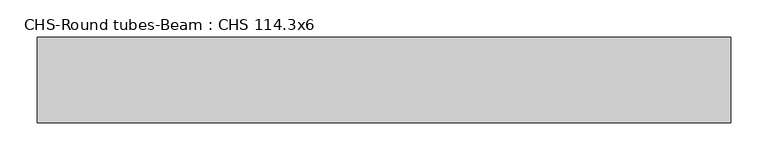
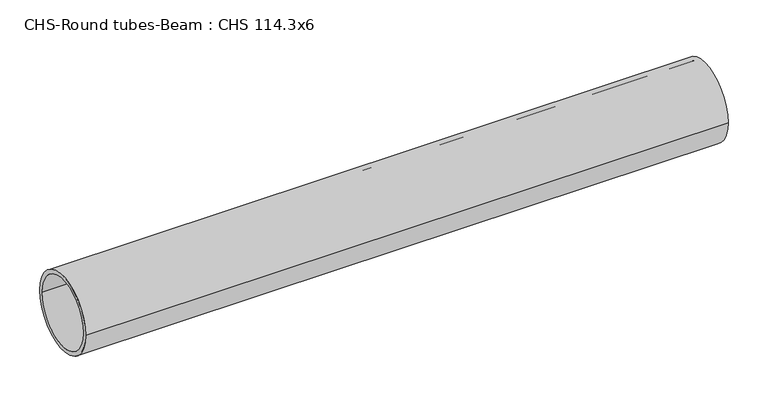
"""IFC4 building model written with IfcOpenShell, lengths in millimetres: beam geometry, CHS-Round tubes-Beam : CHS 114.3x6."""

from ifc_helpers import new_model, si_unit, point, frame, origin, origin_2d, place, context, project, spatial, circle_curve, trimmed, segment, composite_curve, outline, extrude, source, transform, mapped, element, save


def chs_round_tubes_beam_chs_114_3x6_f6d36b1d(model_context):
    return source(origin(), model_context, "Body", "SweptSolid", [
        extrude(outline(composite_curve([segment(trimmed(circle_curve(origin_2d(), 57.15), [point((57.15, 0.0))], [point((-57.15, 0.0))], False, "CARTESIAN"), True, "CONTINUOUS"), segment(trimmed(circle_curve(origin_2d(), 57.15), [point((-57.15, 0.0))], [point((57.15, 0.0))], False, "CARTESIAN"), True, "CONTINUOUS")], self_intersect=False), holes=[composite_curve([segment(trimmed(circle_curve(origin_2d(), 51.15), [point((51.15, 0.0))], [point((-51.15, 0.0))], True, "CARTESIAN"), True, "CONTINUOUS"), segment(trimmed(circle_curve(origin_2d(), 51.15), [point((-51.15, 0.0))], [point((51.15, 0.0))], True, "CARTESIAN"), True, "CONTINUOUS")], self_intersect=False)]), frame((-495.4216421, 0.0, 0.0), z_axis=(1.0, 0.0, 0.0), x_axis=(0.0, 1.0, 0.0)), (0.0, 0.0, 1.0), 929.27077),
    ])


if __name__ == "__main__":
    model = new_model("IFC4")
    model_context = context("Model", 3, world=origin())
    ifc_project = project(units=[si_unit("LENGTHUNIT", "METRE", prefix="MILLI")], contexts=[model_context])
    site = spatial("IfcSite", under=ifc_project)
    building = spatial("IfcBuilding", under=site)
    placement = place(None, origin())
    chs_round_tubes_beam_chs_114_3x6_shape = chs_round_tubes_beam_chs_114_3x6_f6d36b1d(model_context)
    element("IfcBeam", 1, ObjectType="CHS-Round tubes-Beam : CHS 114.3x6", at=placement, inside=building, context=model_context, shape_type="MappedRepresentation", body=[
        mapped(chs_round_tubes_beam_chs_114_3x6_shape, transform((0.0, 0.0, 0.0), x_axis=(1.0, 0.0, 0.0), y_axis=(0.0, 1.0, 0.0), z_axis=(0.0, 0.0, 1.0))),
    ])
    save(model, "model.ifc")
